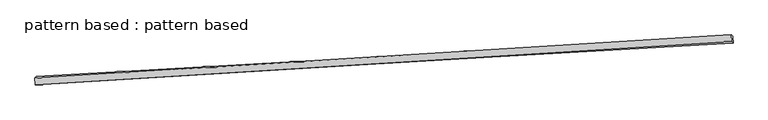
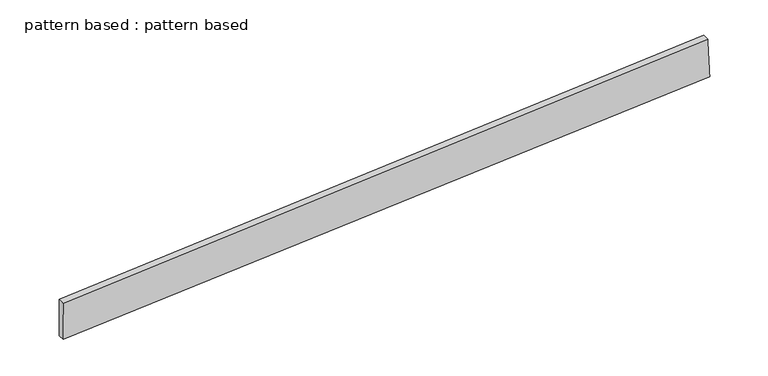
"""IFC4 building model written with IfcOpenShell, lengths in millimetres: plate geometry, pattern based : pattern based."""

import ifcopenshell
import ifcopenshell.guid

model = None  # the IFC model being written
_history = None  # IfcOwnerHistory: only IFC2X3 demands one
_inside = {}  # id of a spatial element -> (the spatial element, [elements in it])
_under = {}  # id of a project, library or spatial element -> (it, [spatial elements below it])
_declared = {}  # id of a project -> (the project, [libraries it declares])
_typed = {}  # id of a type object -> (the type object, [elements of that type])
_made_of = {}  # id of a material, layer set ... -> (it, [elements and type objects made of it])


def new_model(schema):
    """Start an empty IFC model of exactly this schema.

    Asked for "IFC4X3", IfcOpenShell would pick the latest addendum, in which some entities
    have other attributes; the version numbers below select the first issue.
    IFC2X3 requires an IfcOwnerHistory on every rooted entity: one is made here for all.
    """
    global model, _history
    if schema == "IFC4X3":
        model = ifcopenshell.file(schema_version=(4, 3, 0, 0))
    else:
        model = ifcopenshell.file(schema=schema)
    _inside.clear()
    _under.clear()
    _declared.clear()
    _typed.clear()
    _made_of.clear()
    _history = None
    if model.schema == "IFC2X3":
        org = make("IfcOrganization", Name="unknown")
        user = make(
            "IfcPersonAndOrganization",
            ThePerson=make("IfcPerson", FamilyName="unknown"),
            TheOrganization=org,
        )
        app = make(
            "IfcApplication",
            ApplicationDeveloper=org,
            Version="unknown",
            ApplicationFullName="unknown",
            ApplicationIdentifier="unknown",
        )
        _history = make(
            "IfcOwnerHistory",
            OwningUser=user,
            OwningApplication=app,
            ChangeAction="ADDED",
            CreationDate=0,
        )
    return model


def make(cls, **values):
    """One entity of the class cls with the attributes given. An attribute that is None is left unset."""
    return model.create_entity(
        cls, **{name: value for name, value in values.items() if value is not None}
    )


def rooted(cls, **values):
    """An entity with a GlobalId (a new one), such as an element, a storey or a relation."""
    return make(cls, GlobalId=ifcopenshell.guid.new(), OwnerHistory=_history, **values)


def si_unit(unit_type, name, prefix=None):
    """IfcSIUnit, for example si_unit("LENGTHUNIT", "METRE", prefix="MILLI")."""
    return make("IfcSIUnit", UnitType=unit_type, Prefix=prefix, Name=name)


def assignment(units):
    """IfcUnitAssignment: the units of a project."""
    return None if units is None else make("IfcUnitAssignment", Units=units)


def point(xyz):
    """IfcCartesianPoint."""
    return None if xyz is None else make("IfcCartesianPoint", Coordinates=xyz)


def direction(xyz):
    """IfcDirection."""
    return None if xyz is None else make("IfcDirection", DirectionRatios=xyz)


def frame(location, z_axis=None, x_axis=None):
    """IfcAxis2Placement3D, a coordinate frame: its origin and axes. An axis left out is left unset."""
    return make(
        "IfcAxis2Placement3D",
        Location=point(location),
        Axis=direction(z_axis),
        RefDirection=direction(x_axis),
    )


def origin():
    """The frame at (0, 0, 0) with its axes left unset."""
    return frame((0.0, 0.0, 0.0))


def place(relative_to, where):
    """IfcLocalPlacement: puts the frame where relative to a parent placement (None: the world)."""
    return make(
        "IfcLocalPlacement", PlacementRelTo=relative_to, RelativePlacement=where
    )


def context(
    kind, dimensions, precision=None, world=None, true_north=None, identifier=None
):
    """IfcGeometricRepresentationContext, for example the 3D "Model" context."""
    return make(
        "IfcGeometricRepresentationContext",
        ContextIdentifier=identifier,
        ContextType=kind,
        CoordinateSpaceDimension=dimensions,
        Precision=precision,
        WorldCoordinateSystem=world,
        TrueNorth=true_north,
    )


def project(units=None, contexts=None):
    """IfcProject with its units and contexts."""
    return rooted(
        "IfcProject",
        Name="project",
        RepresentationContexts=contexts,
        UnitsInContext=assignment(units),
    )


def spatial(cls, under=None, at=None, **own):
    """A site, building, storey or space (cls), placed at a placement, below another one or the project."""
    s = rooted(cls, ObjectPlacement=at, **own)
    if under is not None:
        _under.setdefault(under.id(), (under, []))[1].append(s)
    return s


def shape(context_of_items, identifier, shape_type, items):
    """IfcShapeRepresentation: the items that make up one representation, for example the "Body"."""
    return make(
        "IfcShapeRepresentation",
        ContextOfItems=context_of_items,
        RepresentationIdentifier=identifier,
        RepresentationType=shape_type,
        Items=items,
    )


def source(mapping_origin, context_of_items, identifier, shape_type, items):
    """IfcRepresentationMap: a shape defined once, which mapped items show again and again."""
    return make(
        "IfcRepresentationMap",
        MappingOrigin=mapping_origin,
        MappedRepresentation=shape(context_of_items, identifier, shape_type, items),
    )


def transform(
    local_origin,
    x_axis=None,
    y_axis=None,
    z_axis=None,
    scale=None,
    scale2=None,
    scale3=None,
    uniform=True,
):
    """IfcCartesianTransformationOperator3D, or its non-uniform kind. x_axis, y_axis, z_axis: its Axis1, 2, 3."""
    if uniform:
        return make(
            "IfcCartesianTransformationOperator3D",
            Axis1=direction(x_axis),
            Axis2=direction(y_axis),
            LocalOrigin=point(local_origin),
            Scale=scale,
            Axis3=direction(z_axis),
        )
    return make(
        "IfcCartesianTransformationOperator3DnonUniform",
        Axis1=direction(x_axis),
        Axis2=direction(y_axis),
        LocalOrigin=point(local_origin),
        Scale=scale,
        Axis3=direction(z_axis),
        Scale2=scale2,
        Scale3=scale3,
    )


def mapped(mapping_source, mapping_target):
    """IfcMappedItem: shows the shape of a source again, moved by a transform."""
    return make(
        "IfcMappedItem", MappingSource=mapping_source, MappingTarget=mapping_target
    )


def made_of(thing, what):
    """Note that an element or type object is made of a material, layer set ...; save() writes the relation."""
    if what is not None:
        _made_of.setdefault(what.id(), (what, []))[1].append(thing)
    return thing


def element(
    cls,
    number,
    at=None,
    inside=None,
    cuts=None,
    type_object=None,
    material=None,
    context=None,
    identifier="Body",
    shape_type=None,
    held_by="IfcProductDefinitionShape",
    body=None,
    shapes=None,
    **own,
):
    """One element of the class cls, such as IfcWall. Its Tag is "e" and its number.

    at: its placement. inside: the storey or other place that contains it. cuts: it is an
    opening in that element (IfcRelVoidsElement). A single representation is given by context,
    identifier, shape_type and body (its items); several are given by shapes. held_by: the class
    of the entity that holds the representations. save() writes the other relations.
    """
    e = rooted(cls, Tag="e%d" % number, ObjectPlacement=at, **own)
    if body is not None:
        shapes = [shape(context, identifier, shape_type, body)]
    if shapes is not None:
        e.Representation = make(held_by, Representations=shapes)
    if inside is not None:
        _inside.setdefault(inside.id(), (inside, []))[1].append(e)
    if cuts is not None:
        rooted(
            "IfcRelVoidsElement", RelatingBuildingElement=cuts, RelatedOpeningElement=e
        )
    if type_object is not None:
        _typed.setdefault(type_object.id(), (type_object, []))[1].append(e)
    return made_of(e, material)


def aggregate(whole, parts):
    """IfcRelAggregates: a whole, such as a stair, and the parts it consists of."""
    return rooted("IfcRelAggregates", RelatingObject=whole, RelatedObjects=parts)


def save(model, path):
    """Write the relations noted so far, then the file.

    IfcRelAggregates (storeys below a building ...), IfcRelContainedInSpatialStructure (elements
    in a storey), IfcRelDefinesByType, IfcRelAssociatesMaterial and IfcRelDeclares: one each for
    every whole, place, type object, material and project.
    """
    for whole, parts in _under.values():
        aggregate(whole, parts)
    for where, things in _inside.values():
        rooted(
            "IfcRelContainedInSpatialStructure",
            RelatedElements=things,
            RelatingStructure=where,
        )
    for kind, things in _typed.values():
        rooted("IfcRelDefinesByType", RelatedObjects=things, RelatingType=kind)
    for what, things in _made_of.values():
        rooted("IfcRelAssociatesMaterial", RelatedObjects=things, RelatingMaterial=what)
    for by, libraries in _declared.values():
        rooted("IfcRelDeclares", RelatingContext=by, RelatedDefinitions=libraries)
    model.write(path)


def plane_surface(at):
    """IfcPlane: the flat surface through the origin of the frame at, square to its z axis."""
    return make("IfcPlane", Position=at)


def spline_surface(u_degree, v_degree, points, u_multiplicities, v_multiplicities, u_knots, v_knots, weights=None):
    """IfcBSplineSurfaceWithKnots; with weights, IfcRationalBSplineSurfaceWithKnots. points: one row for each step in u."""
    own = dict(
        UDegree=u_degree,
        VDegree=v_degree,
        ControlPointsList=[[point(p) for p in row] for row in points],
        SurfaceForm="UNSPECIFIED",
        UClosed=False,
        VClosed=False,
        SelfIntersect=False,
        UMultiplicities=u_multiplicities,
        VMultiplicities=v_multiplicities,
        UKnots=u_knots,
        VKnots=v_knots,
        KnotSpec="UNSPECIFIED",
    )
    if weights is None:
        return make("IfcBSplineSurfaceWithKnots", **own)
    return make("IfcRationalBSplineSurfaceWithKnots", WeightsData=weights, **own)


def advanced_brep(points, edges, surfaces, faces):
    """IfcAdvancedBrep: a solid bounded by faces that lie on surfaces and meet in shared edges.

    An edge is (start, end): straight between two places in points (the first is 0);
    or (start, end, curve); or (start, end, curve, False) where it runs against its curve.
    A face is (place in surfaces, loops), or (place, loops, False) where it looks against
    its surface's normal. A loop lists edges by number (the first is 1), with a minus sign
    where the edge is run from its end to its start. The first loop is the outer one.
    """
    corners = [point(p) for p in points]
    vertices = [make("IfcVertexPoint", VertexGeometry=c) for c in corners]
    made = []
    for start, end, *more in edges:
        made.append(
            make(
                "IfcEdgeCurve",
                EdgeStart=vertices[start],
                EdgeEnd=vertices[end],
                EdgeGeometry=more[0] if more else make("IfcPolyline", Points=[corners[start], corners[end]]),
                SameSense=more[1] if len(more) > 1 else True,
            )
        )
    hull = []
    for where, loops, *sense in faces:
        bounds = []
        for j, loop in enumerate(loops):
            ring = [make("IfcOrientedEdge", EdgeElement=made[abs(k) - 1], Orientation=k > 0) for k in loop]
            bounds.append(
                make(
                    "IfcFaceOuterBound" if j == 0 else "IfcFaceBound",
                    Bound=make("IfcEdgeLoop", EdgeList=ring),
                    Orientation=True,
                )
            )
        hull.append(make("IfcAdvancedFace", Bounds=bounds, FaceSurface=surfaces[where], SameSense=sense[0] if sense else True))
    return make("IfcAdvancedBrep", Outer=make("IfcClosedShell", CfsFaces=hull))


def pattern_based_pattern_based_a714a639(model_context):
    return source(origin(), model_context, "Body", "AdvancedBrep", [
        advanced_brep(
        [(3543.6906719, 3543.6906719, -38.2680404), (3539.5028409, 3537.9903717, 111.5650956), (3537.9952269, 3562.9448509, 111.5977591), (3542.1830579, 3568.6451511, -38.2353769), (6065.4748877, 3695.747235, 187.8009442), (6063.9672737, 3720.7017143, 187.8336077), (6070.2732525, 3690.9820908, 37.9534581), (6068.7656385, 3715.93657, 37.9861216)],
        [
            (0, 1),
            (1, 2),
            (2, 3),
            (3, 0),
            (1, 4),
            (4, 5),
            (5, 2),
            (4, 6),
            (6, 7),
            (7, 5),
            (6, 0),
            (3, 7),
        ],
        [
            plane_surface(frame((3541.5967564, 3540.8405218, 36.6485276), z_axis=(-0.997727762274446, -0.06023778631827645, -0.030178162407614735), x_axis=(-0.027918873315241406, -0.03800200108441124, 0.9988875734667981))),
            plane_surface(frame((4802.4888643, 3616.8688034, 149.6830199), z_axis=(-0.02997229091179659, -0.0031190912516432996, 0.9995458634036074), x_axis=(0.9976029598494794, 0.062304218288694896, 0.030108452019205326))),
            plane_surface(frame((6067.8740701, 3693.3646629, 112.8772011), z_axis=(0.9977321012734253, 0.06023823785977344, 0.03003346114028683), x_axis=(0.031989098336062845, -0.03176762844900417, -0.9989832407855358))),
            plane_surface(frame((4806.9819622, 3617.3363813, -0.1572912), z_axis=(0.029972290911796526, 0.003119091251644312, -0.9995458634036074), x_axis=(-0.9978526353836015, -0.058171512639440044, -0.03010304262430719))),
            spline_surface(1, 1, [[(3537.9952269, 3562.9448509, 111.5977591), (3542.1830579, 3568.6451511, -38.2353769)], [(6063.9672737, 3720.7017143, 187.8336077), (6068.7656385, 3715.93657, 37.9861216)]], [2, 2], [2, 2], [0.0, 1.0], [0.0, 1.0]),
            spline_surface(1, 1, [[(6070.2732525, 3690.9820908, 37.9534581), (3543.6906719, 3543.6906719, -38.2680404)], [(6065.4748877, 3695.747235, 187.8009442), (3539.5028409, 3537.9903717, 111.5650956)]], [2, 2], [2, 2], [0.0, 1.0], [0.0, 1.0]),
        ],
        [
            (0, [[1, 2, 3, 4]]),
            (1, [[5, 6, 7, -2]]),
            (2, [[8, 9, 10, -6]]),
            (3, [[11, -4, 12, -9]]),
            (4, [[-3, -7, -10, -12]]),
            (5, [[-11, -8, -5, -1]]),
        ],
    ),
    ])


if __name__ == "__main__":
    model = new_model("IFC4")
    model_context = context("Model", 3, world=origin())
    ifc_project = project(units=[si_unit("LENGTHUNIT", "METRE", prefix="MILLI")], contexts=[model_context])
    site = spatial("IfcSite", under=ifc_project)
    building = spatial("IfcBuilding", under=site)
    placement = place(None, origin())
    pattern_based_pattern_based_shape = pattern_based_pattern_based_a714a639(model_context)
    element("IfcPlate", 1, ObjectType="pattern based : pattern based", at=placement, inside=building, context=model_context, shape_type="MappedRepresentation", body=[
        mapped(pattern_based_pattern_based_shape, transform((0.0, 0.0, 0.0), x_axis=(1.0, 0.0, 0.0), y_axis=(0.0, 1.0, 0.0), z_axis=(0.0, 0.0, 1.0))),
    ])
    save(model, "model.ifc")
